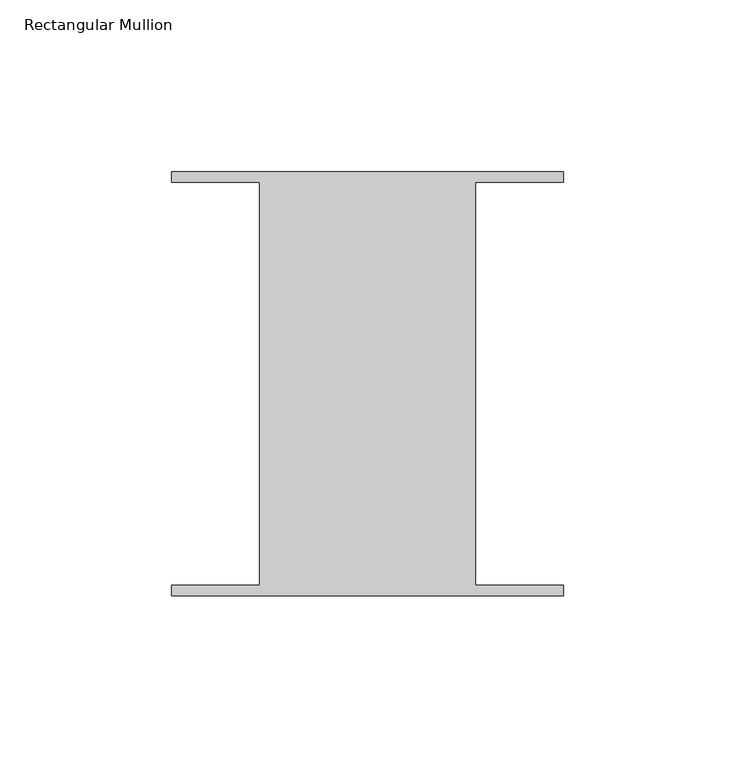
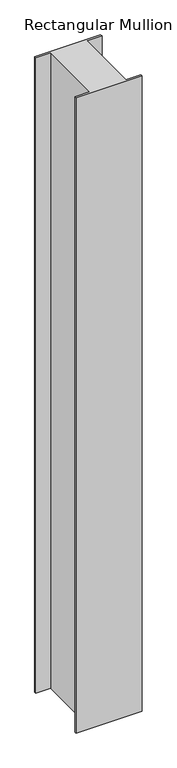
"""IFC4 building model written with IfcOpenShell, lengths in millimetres: member geometry, Rectangular Mullion."""

from ifc_helpers import new_model, si_unit, frame, origin, place, context, project, spatial, polyline, outline, extrude, source, transform, mapped, element, save


def rectangular_mullion_598068be(model_context):
    return source(origin(), model_context, "Body", "SweptSolid", [
        extrude(outline(polyline([(31.4523438, 58.6995588), (31.4523437, -58.7754412), (57.15, -58.7754413), (57.15, -61.8512225), (-57.15, -61.8512225), (-57.15, -58.7754413), (-31.4523438, -58.7754412), (-31.4523437, 58.6995588), (-57.15, 58.6995587), (-57.15, 61.77534), (57.15, 61.77534), (57.15, 58.6995587), (31.4523438, 58.6995588)])), frame((0.0, 0.0, -1162.05), z_axis=(0.0, 0.0, 1.0), x_axis=(1.0, 0.0, 0.0)), (0.0, 0.0, 1.0), 1162.05),
    ])


if __name__ == "__main__":
    model = new_model("IFC4")
    model_context = context("Model", 3, world=origin())
    ifc_project = project(units=[si_unit("LENGTHUNIT", "METRE", prefix="MILLI")], contexts=[model_context])
    site = spatial("IfcSite", under=ifc_project)
    building = spatial("IfcBuilding", under=site)
    placement = place(None, origin())
    rectangular_mullion_shape = rectangular_mullion_598068be(model_context)
    element("IfcMember", 1, ObjectType="Rectangular Mullion", at=placement, inside=building, context=model_context, shape_type="MappedRepresentation", body=[
        mapped(rectangular_mullion_shape, transform((0.0, 0.0, 0.0), x_axis=(1.0, 0.0, 0.0), y_axis=(0.0, 1.0, 0.0), z_axis=(0.0, 0.0, 1.0))),
    ])
    save(model, "model.ifc")
